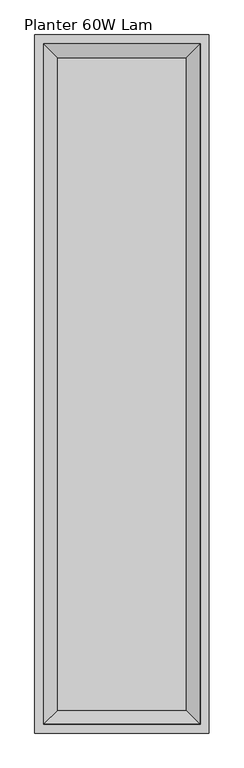
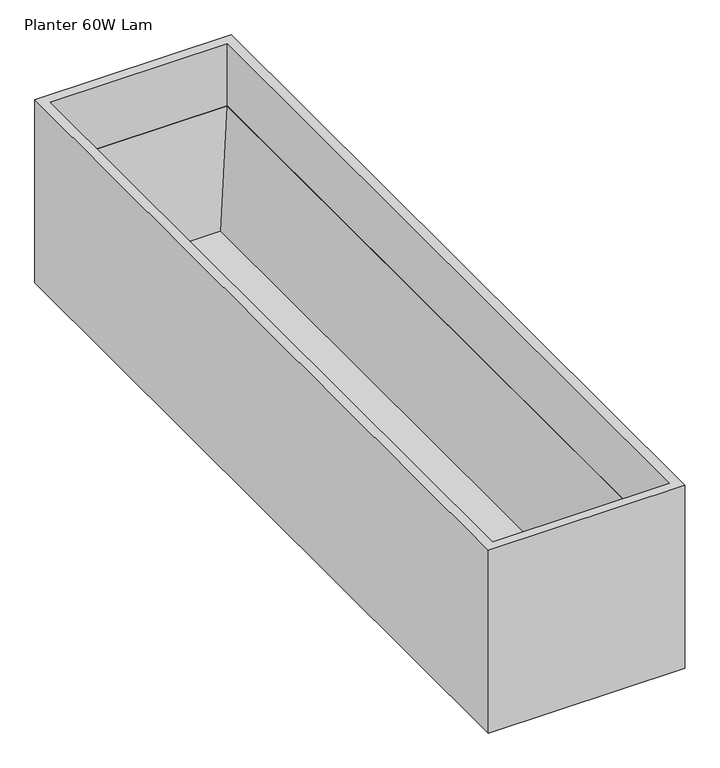
"""IFC4 building model written with IfcOpenShell, lengths in millimetres: furniture geometry, Planter 60W Lam."""

from ifc_helpers import new_model, si_unit, origin, place, context, project, spatial, faceted_brep, source, transform, mapped, element, save


def planter_60w_lam_e8e9db77(model_context):
    return source(origin(), model_context, "Body", "Brep", [
        faceted_brep([(381.0, 0.0, 374.6499879), (0.0, 0.0, 374.6499879), (0.0, -1524.0, 374.6499879), (381.0, -1524.0, 374.6499879), (19.05, -19.05, 374.6499879), (361.95, -19.05, 374.6499879), (361.95, -1504.95, 374.6499879), (19.05, -1504.95, 374.6499879), (381.0, 0.0, 0.0), (381.0, -1524.0, 0.0), (0.0, -1524.0, 0.0), (0.0, 0.0, 0.0), (361.95, -19.05, 247.65), (19.05, -19.05, 247.65), (19.05, -1504.95, 247.65), (361.95, -1504.95, 247.65), (19.8119993, -19.8119993, 247.65), (361.1879826, -19.8119993, 247.65), (361.1879826, -1504.1879826, 247.65), (19.8119993, -1504.1879826, 247.65), (331.0922542, -49.9077595, 19.8119993), (49.9077595, -49.9077595, 19.8119993), (49.9077595, -1474.0922178, 19.8119993), (331.0922542, -1474.0922178, 19.8119993)], [[[0, 1, 2, 3], [4, 5, 6, 7]], [[8, 9, 10, 11]], [[1, 0, 8, 11]], [[2, 1, 11, 10]], [[3, 2, 10, 9]], [[0, 3, 9, 8]], [[12, 13, 14, 15], [16, 17, 18, 19]], [[13, 12, 5, 4]], [[14, 13, 4, 7]], [[15, 14, 7, 6]], [[12, 15, 6, 5]], [[20, 21, 22, 23]], [[21, 20, 17, 16]], [[22, 21, 16, 19]], [[23, 22, 19, 18]], [[20, 23, 18, 17]]]),
    ])


if __name__ == "__main__":
    model = new_model("IFC4")
    model_context = context("Model", 3, world=origin())
    ifc_project = project(units=[si_unit("LENGTHUNIT", "METRE", prefix="MILLI")], contexts=[model_context])
    site = spatial("IfcSite", under=ifc_project)
    building = spatial("IfcBuilding", under=site)
    placement = place(None, origin())
    planter_60w_lam_shape = planter_60w_lam_e8e9db77(model_context)
    element("IfcFurniture", 1, ObjectType="Planter 60W Lam", at=placement, inside=building, context=model_context, shape_type="MappedRepresentation", body=[
        mapped(planter_60w_lam_shape, transform((0.0, 0.0, 0.0), x_axis=(1.0, 0.0, 0.0), y_axis=(0.0, 1.0, 0.0), z_axis=(0.0, 0.0, 1.0))),
    ])
    save(model, "model.ifc")
